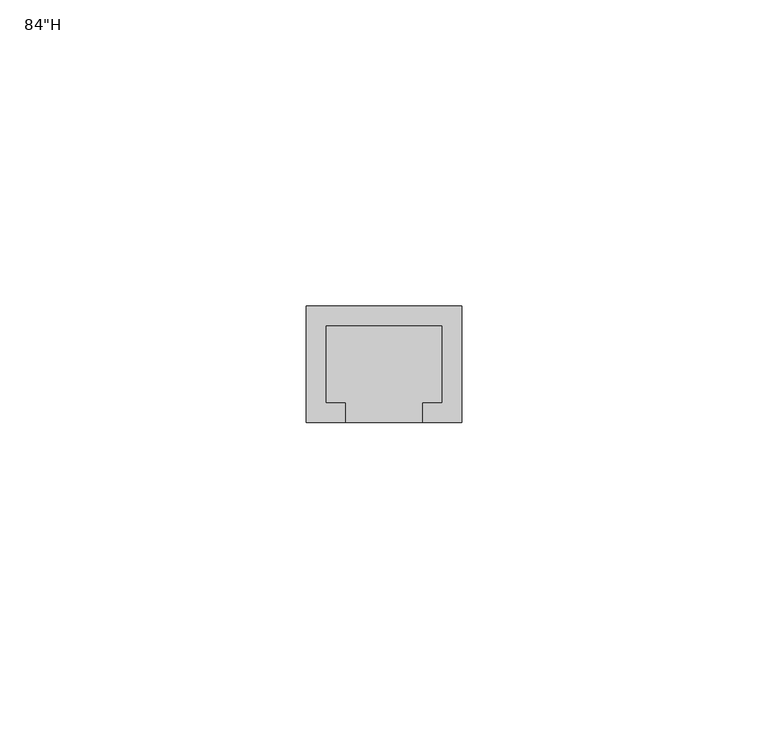
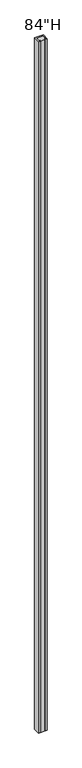
"""IFC4 building model written with IfcOpenShell, lengths in millimetres: furniture geometry."""

from ifc_helpers import new_model, si_unit, frame, origin, place, context, project, spatial, polyline, outline, extrude, source, transform, mapped, element, save


def furniture_ea425779(model_context):
    return source(origin(), model_context, "Body", "SweptSolid", [
        extrude(outline(polyline([(-6.3500004, -19.05), (-12.7000004, -19.05), (-12.7000004, 0.0), (12.7000004, 0.0), (12.7000004, -19.05), (6.3500004, -19.05), (6.3500004, -15.8685185), (9.5250004, -15.8685185), (9.5250004, -3.1685185), (-9.5250004, -3.1685185), (-9.5250004, -15.8685185), (-6.3500004, -15.8685185), (-6.3500004, -19.05)])), frame((0.0, 0.0, 101.6), z_axis=(0.0, 0.0, 1.0), x_axis=(1.0, 0.0, 0.0)), (0.0, 0.0, 1.0), 2133.6),
        extrude(outline(polyline([(12.7000004, 0.0), (12.7000004, -19.05), (-12.7000004, -19.05), (-12.7000004, 0.0), (12.7000004, 0.0)])), frame((0.0, 0.0, 101.6), z_axis=(0.0, 0.0, 1.0), x_axis=(1.0, 0.0, 0.0)), (0.0, 0.0, 1.0), 2133.6),
    ])


if __name__ == "__main__":
    model = new_model("IFC4")
    model_context = context("Model", 3, world=origin())
    ifc_project = project(units=[si_unit("LENGTHUNIT", "METRE", prefix="MILLI")], contexts=[model_context])
    site = spatial("IfcSite", under=ifc_project)
    building = spatial("IfcBuilding", under=site)
    placement = place(None, origin())
    furniture_shape = furniture_ea425779(model_context)
    element("IfcFurniture", 1, ObjectType="84\"H", at=placement, inside=building, context=model_context, shape_type="MappedRepresentation", body=[
        mapped(furniture_shape, transform((0.0, 0.0, 0.0), x_axis=(1.0, 0.0, 0.0), y_axis=(0.0, 1.0, 0.0), z_axis=(0.0, 0.0, 1.0))),
    ])
    save(model, "model.ifc")
